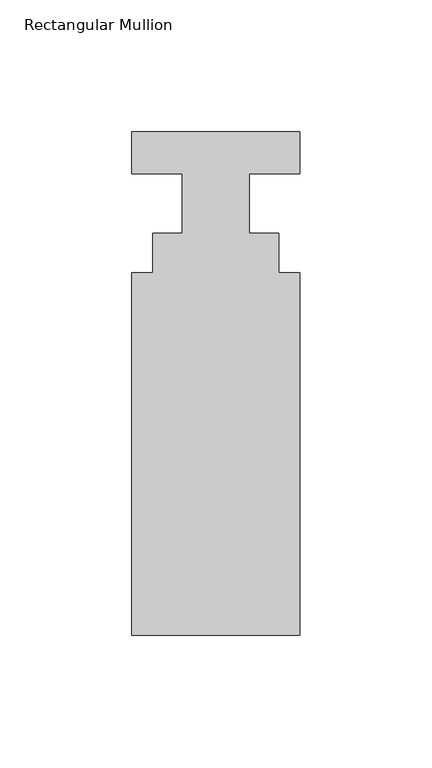
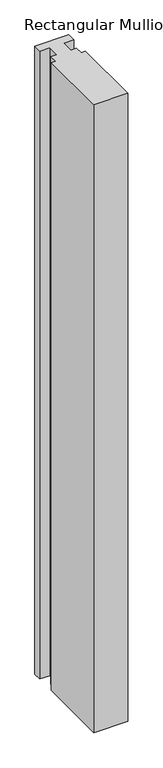
"""IFC4 building model written with IfcOpenShell, lengths in millimetres: member geometry, Rectangular Mullion."""

from ifc_helpers import new_model, si_unit, frame, origin, place, context, project, spatial, polyline, outline, extrude, source, transform, mapped, element, save


def rectangular_mullion_da4217ab(model_context):
    return source(origin(), model_context, "Body", "SweptSolid", [
        extrude(outline(polyline([(31.75, -53.0629813), (31.75, -190.4007812), (-31.75, -190.4007812), (-31.75, -53.0629813), (-23.8252, -53.0629813), (-23.8252, -38.0007812), (-12.7, -38.0007812), (-12.7, -15.5217812), (-31.75, -15.5217812), (-31.75, 0.3278188), (31.75, 0.3278188), (31.75, -15.5217812), (12.7, -15.5217812), (12.7, -38.0007812), (23.8252, -38.0007812), (23.8252, -53.0629813), (31.75, -53.0629813)])), frame((0.0, 0.0, -1242.1071763), z_axis=(0.0, 0.0, 1.0), x_axis=(1.0, 0.0, 0.0)), (0.0, 0.0, 1.0), 1242.1071763),
    ])


if __name__ == "__main__":
    model = new_model("IFC4")
    model_context = context("Model", 3, world=origin())
    ifc_project = project(units=[si_unit("LENGTHUNIT", "METRE", prefix="MILLI")], contexts=[model_context])
    site = spatial("IfcSite", under=ifc_project)
    building = spatial("IfcBuilding", under=site)
    placement = place(None, origin())
    rectangular_mullion_shape = rectangular_mullion_da4217ab(model_context)
    element("IfcMember", 1, ObjectType="Rectangular Mullion", at=placement, inside=building, context=model_context, shape_type="MappedRepresentation", body=[
        mapped(rectangular_mullion_shape, transform((0.0, 0.0, 0.0), x_axis=(1.0, 0.0, 0.0), y_axis=(0.0, 1.0, 0.0), z_axis=(0.0, 0.0, 1.0))),
    ])
    save(model, "model.ifc")
